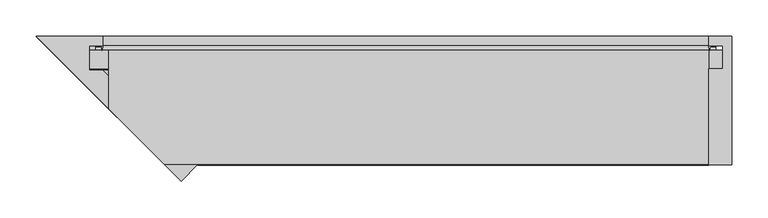
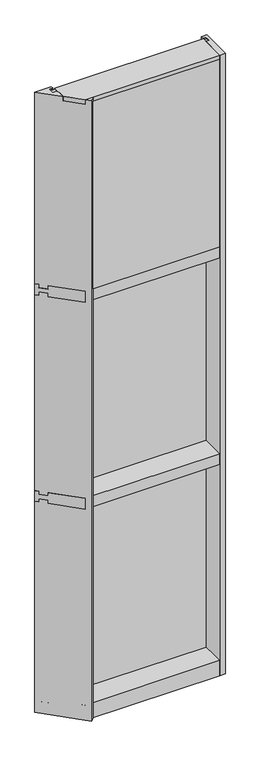
"""IFC4 building model written with IfcOpenShell, lengths in millimetres: plate geometry."""

from ifc_helpers import new_model, si_unit, point, frame, frame_2d, origin, place, context, project, spatial, polyline, circle_curve, trimmed, segment, composite_curve, outline, extrude, faceted_brep, source, transform, mapped, element, save


def plate_a5e8329a(model_context):
    return source(origin(), model_context, "Body", "SolidModel", [
        extrude(outline(composite_curve([segment(polyline([(-418.9503158, 34.0361122), (-419.3612613, 27.686), (-420.3277672, 27.686), (-420.3552746, 31.7563748)]), True, "CONTINUOUS"), segment(trimmed(circle_curve(frame_2d((-420.9902601, 31.7520836)), 0.635), [point((-420.3552746, 31.7563748))], [point((-420.9551793, 32.3861138))], True, "CARTESIAN"), True, "CONTINUOUS"), segment(polyline([(-420.9551793, 32.3861138), (-427.7105402, 32.7598869)]), True, "CONTINUOUS"), segment(trimmed(circle_curve(frame_2d((-427.5279869, 33.7593519)), 1.016), [point((-427.7105402, 32.7598869))], [point((-428.5055655, 34.0361122))], False, "CARTESIAN"), True, "CONTINUOUS"), segment(polyline([(-428.5055655, 34.0361122), (-418.9503158, 34.0361122)]), True, "CONTINUOUS")], self_intersect=False)), frame((0.0, 0.0, 2459.3728643), z_axis=(0.0, 0.0, 1.0), x_axis=(1.0, 0.0, 0.0)), (0.0, 0.0, 1.0), 1134.7271357),
        extrude(outline(composite_curve([segment(polyline([(419.3612613, 27.686), (418.9503158, 34.0361122), (428.5055655, 34.0361122)]), True, "CONTINUOUS"), segment(trimmed(circle_curve(frame_2d((427.5279869, 33.7593519)), 1.016), [point((428.5055655, 34.0361122))], [point((427.7105402, 32.7598869))], False, "CARTESIAN"), True, "CONTINUOUS"), segment(polyline([(427.7105402, 32.7598869), (420.9551793, 32.3861138)]), True, "CONTINUOUS"), segment(trimmed(circle_curve(frame_2d((420.9902601, 31.7520836)), 0.635), [point((420.9551793, 32.3861138))], [point((420.3552746, 31.7563748))], True, "CARTESIAN"), True, "CONTINUOUS"), segment(polyline([(420.3552746, 31.7563748), (420.3277672, 27.686), (419.3612613, 27.686)]), True, "CONTINUOUS")], self_intersect=False)), frame((0.0, 0.0, 2459.3728643), z_axis=(0.0, 0.0, 1.0), x_axis=(1.0, 0.0, 0.0)), (0.0, 0.0, 1.0), 1134.7271357),
        extrude(outline(polyline([(34.0361122, 2459.3728643), (27.686, 2459.3728643), (27.686, 2471.8771952), (34.0361122, 2470.1238955), (34.0361122, 2459.3728643)])), frame((-428.5055655, 0.0, 0.0), z_axis=(1.0, 0.0, 0.0), x_axis=(0.0, 1.0, 0.0)), (0.0, 0.0, 1.0), 857.0111309),
        extrude(outline(polyline([(418.8738151, -48.514), (418.8738151, -131.0159103), (-287.9050651, -131.0159103), (-370.3558463, -48.514), (418.8738151, -48.514)])), frame((0.0, 0.0, 2470.15), z_axis=(0.0, 0.0, 1.0), x_axis=(1.0, 0.0, 0.0)), (0.0, 0.0, 1.0), 1104.9),
        extrude(outline(polyline([(437.9238151, 27.686), (437.9238151, 2.286), (-437.9238151, 2.286), (-437.9238151, 27.686), (437.9238151, 27.686)])), frame((0.0, 0.0, 2451.1), z_axis=(0.0, 0.0, 1.0), x_axis=(1.0, 0.0, 0.0)), (0.0, 0.0, 1.0), 1143.0),
        extrude(outline(polyline([(450.6238151, -130.5814), (418.8738151, -130.5814), (418.8738151, 2.286), (437.9238151, 2.286), (437.9238151, 34.036), (418.8727259, 34.036), (418.8727259, 47.2186), (450.6238151, 47.2186), (450.6238151, -130.5814)])), frame((0.0, 0.0, -57.15), z_axis=(0.0, 0.0, 1.0), x_axis=(1.0, 0.0, 0.0)), (0.0, 0.0, 1.0), 3657.6),
        extrude(outline(polyline([(27.686, 1252.6752684), (34.036, 1250.9219997), (34.036, 1240.1709644), (27.686, 1240.1709644), (27.686, 1252.6752684)])), frame((-428.5066864, 0.0, 0.0), z_axis=(1.0, 0.0, 0.0), x_axis=(0.0, 1.0, 0.0)), (0.0, 0.0, 1.0), 857.0133729),
        extrude(outline(polyline([(27.6860992, 2417.4309356), (34.0360992, 2417.4309356), (34.0360992, 2406.6798775), (27.6860992, 2404.9266088), (27.6860992, 2417.4309356)])), frame((-428.5066864, 0.0, 0.0), z_axis=(1.0, 0.0, 0.0), x_axis=(0.0, 1.0, 0.0)), (0.0, 0.0, 1.0), 857.0133729),
        extrude(outline(composite_curve([segment(trimmed(circle_curve(frame_2d((-420.9913493, 31.7520836)), 0.635), [point((-420.3563638, 31.7563748))], [point((-420.9562685, 32.3861138))], True, "CARTESIAN"), True, "CONTINUOUS"), segment(polyline([(-420.9562685, 32.3861138), (-427.7116294, 32.7598869)]), True, "CONTINUOUS"), segment(trimmed(circle_curve(frame_2d((-427.5290761, 33.7593519)), 1.016), [point((-427.7116294, 32.7598869))], [point((-428.5066864, 34.036))], False, "CARTESIAN"), True, "CONTINUOUS"), segment(polyline([(-428.5066864, 34.036), (-418.9514123, 34.036), (-419.3623505, 27.686), (-420.3288564, 27.686), (-420.3563638, 31.7563748)]), True, "CONTINUOUS")], self_intersect=False)), frame((0.0, 0.0, 1240.1709644), z_axis=(0.0, 0.0, 1.0), x_axis=(1.0, 0.0, 0.0)), (0.0, 0.0, 1.0), 1177.2580861),
        extrude(outline(composite_curve([segment(polyline([(419.3623505, 27.686), (418.9514123, 34.036), (428.5066864, 34.036)]), True, "CONTINUOUS"), segment(trimmed(circle_curve(frame_2d((427.5290761, 33.7593519)), 1.016), [point((428.5066864, 34.036))], [point((427.7116294, 32.7598869))], False, "CARTESIAN"), True, "CONTINUOUS"), segment(polyline([(427.7116294, 32.7598869), (420.9562685, 32.3861138)]), True, "CONTINUOUS"), segment(trimmed(circle_curve(frame_2d((420.9913493, 31.7520836)), 0.635), [point((420.9562685, 32.3861138))], [point((420.3563638, 31.7563748))], True, "CARTESIAN"), True, "CONTINUOUS"), segment(polyline([(420.3563638, 31.7563748), (420.3288564, 27.686), (419.3623505, 27.686)]), True, "CONTINUOUS")], self_intersect=False)), frame((0.0, 0.0, 1240.1709644), z_axis=(0.0, 0.0, 1.0), x_axis=(1.0, 0.0, 0.0)), (0.0, 0.0, 1.0), 1177.2580861),
        extrude(outline(polyline([(437.9249043, 27.686), (437.9249043, 2.286), (-437.9249043, 2.286), (-437.9249043, 27.686), (437.9249043, 27.686)])), frame((0.0, 0.0, 1231.8962001), z_axis=(0.0, 0.0, 1.0), x_axis=(1.0, 0.0, 0.0)), (0.0, 0.0, 1.0), 1193.8037999),
        extrude(outline(polyline([(27.686, 33.4752684), (34.036, 31.7219997), (34.036, 20.9709644), (27.686, 20.9709644), (27.686, 33.4752684)])), frame((-428.5066864, 0.0, 0.0), z_axis=(1.0, 0.0, 0.0), x_axis=(0.0, 1.0, 0.0)), (0.0, 0.0, 1.0), 857.0133729),
        extrude(outline(polyline([(27.6860992, 1198.2309356), (34.0360992, 1198.2309356), (34.0360992, 1187.4798775), (27.6860992, 1185.7266088), (27.6860992, 1198.2309356)])), frame((-428.5066864, 0.0, 0.0), z_axis=(1.0, 0.0, 0.0), x_axis=(0.0, 1.0, 0.0)), (0.0, 0.0, 1.0), 857.0133729),
        extrude(outline(composite_curve([segment(trimmed(circle_curve(frame_2d((-420.9913493, 31.7520836)), 0.635), [point((-420.3563638, 31.7563748))], [point((-420.9562685, 32.3861138))], True, "CARTESIAN"), True, "CONTINUOUS"), segment(polyline([(-420.9562685, 32.3861138), (-427.7116294, 32.7598869)]), True, "CONTINUOUS"), segment(trimmed(circle_curve(frame_2d((-427.5290761, 33.7593519)), 1.016), [point((-427.7116294, 32.7598869))], [point((-428.5066864, 34.036))], False, "CARTESIAN"), True, "CONTINUOUS"), segment(polyline([(-428.5066864, 34.036), (-418.9514123, 34.036), (-419.3623505, 27.686), (-420.3288564, 27.686), (-420.3563638, 31.7563748)]), True, "CONTINUOUS")], self_intersect=False)), frame((0.0, 0.0, 20.9709644), z_axis=(0.0, 0.0, 1.0), x_axis=(1.0, 0.0, 0.0)), (0.0, 0.0, 1.0), 1177.2580861),
        extrude(outline(composite_curve([segment(polyline([(419.3623505, 27.686), (418.9514123, 34.036), (428.5066864, 34.036)]), True, "CONTINUOUS"), segment(trimmed(circle_curve(frame_2d((427.5290761, 33.7593519)), 1.016), [point((428.5066864, 34.036))], [point((427.7116294, 32.7598869))], False, "CARTESIAN"), True, "CONTINUOUS"), segment(polyline([(427.7116294, 32.7598869), (420.9562685, 32.3861138)]), True, "CONTINUOUS"), segment(trimmed(circle_curve(frame_2d((420.9913493, 31.7520836)), 0.635), [point((420.9562685, 32.3861138))], [point((420.3563638, 31.7563748))], True, "CARTESIAN"), True, "CONTINUOUS"), segment(polyline([(420.3563638, 31.7563748), (420.3288564, 27.686), (419.3623505, 27.686)]), True, "CONTINUOUS")], self_intersect=False)), frame((0.0, 0.0, 20.9709644), z_axis=(0.0, 0.0, 1.0), x_axis=(1.0, 0.0, 0.0)), (0.0, 0.0, 1.0), 1177.2580861),
        extrude(outline(polyline([(437.9249043, 27.686), (437.9249043, 2.286), (-437.9249043, 2.286), (-437.9249043, 27.686), (437.9249043, 27.686)])), frame((0.0, 0.0, 12.6962001), z_axis=(0.0, 0.0, 1.0), x_axis=(1.0, 0.0, 0.0)), (0.0, 0.0, 1.0), 1193.8037999),
        faceted_brep([(-410.928058, 27.686, 3600.45), (-410.928058, 27.686, 3594.1), (-410.928058, 0.0, 3594.1), (-410.928058, 0.0, 3575.051832), (-410.928058, -52.8481269, 3575.051832), (-410.928058, -52.8481269, 3600.45), (418.8738151, -130.0734, 3600.45), (418.8738151, -130.0734, 3575.051832), (418.8738151, 0.0, 3575.051832), (418.8738151, 0.0, 3594.1), (418.8738151, 27.686, 3594.1), (418.8738151, 27.686, 3600.45), (-333.7027849, -130.0734, 3600.45), (-333.7027849, -130.0734, 3575.051832)], [[[0, 1, 2, 3, 4, 5]], [[6, 7, 8, 9, 10, 11]], [[6, 11, 0, 5, 12]], [[1, 0, 11, 10]], [[2, 1, 10, 9]], [[3, 2, 9, 8]], [[8, 7, 13, 4, 3]], [[7, 6, 12, 13]], [[5, 4, 13, 12]]]),
        faceted_brep([(418.8738151, 0.0, 2470.15), (418.8738151, -130.175, 2470.15), (418.8738151, -130.175, 2406.65), (418.8738151, 0.0, 2406.65), (418.8738151, 0.0, 2425.7), (418.8738151, 34.13125, 2425.7), (418.8738151, 34.13125, 2406.6462001), (418.8738151, 47.2186445, 2406.6462001), (418.8738151, 47.2186445, 2470.1462001), (418.8738151, 34.13125, 2470.1462001), (418.8738151, 34.13125, 2451.1), (418.8738151, 0.0, 2451.1), (-463.7761849, 0.0, 2451.1), (-463.7761849, 0.0, 2470.15), (-497.9074349, 34.13125, 2451.1), (-497.9074349, 34.13125, 2470.1462001), (-510.9948294, 47.2186445, 2470.1462001), (-510.9948294, 47.2186445, 2406.6462001), (-497.9074349, 34.13125, 2406.6462001), (-497.9074349, 34.13125, 2425.7), (-463.7761849, 0.0, 2425.7), (-463.7761849, 0.0, 2406.65), (-333.6011849, -130.175, 2406.65), (-333.6011849, -130.175, 2470.15)], [[[0, 1, 2, 3, 4, 5, 6, 7, 8, 9, 10, 11]], [[0, 11, 12, 13]], [[11, 10, 14, 12]], [[10, 9, 15, 14]], [[9, 8, 16, 15]], [[8, 7, 17, 16]], [[7, 6, 18, 17]], [[6, 5, 19, 18]], [[5, 4, 20, 19]], [[4, 3, 21, 20]], [[3, 2, 22, 21]], [[2, 1, 23, 22]], [[1, 0, 13, 23]], [[13, 12, 14, 15, 16, 17, 18, 19, 20, 21, 22, 23]]]),
        faceted_brep([(418.8738151, 0.0, 1250.95), (418.8738151, -130.175, 1250.95), (418.8738151, -130.175, 1187.45), (418.8738151, 0.0, 1187.45), (418.8738151, 0.0, 1206.5), (418.8738151, 34.13125, 1206.5), (418.8738151, 34.13125, 1187.4462001), (418.8738151, 47.2186445, 1187.4462001), (418.8738151, 47.2186445, 1250.9462001), (418.8738151, 34.13125, 1250.9462001), (418.8738151, 34.13125, 1231.9), (418.8738151, 0.0, 1231.9), (-463.7761849, 0.0, 1231.9), (-463.7761849, 0.0, 1250.95), (-497.9074349, 34.13125, 1231.9), (-497.9074349, 34.13125, 1250.9462001), (-510.9948294, 47.2186445, 1250.9462001), (-510.9948294, 47.2186445, 1187.4462001), (-497.9074349, 34.13125, 1187.4462001), (-497.9074349, 34.13125, 1206.5), (-463.7761849, 0.0, 1206.5), (-463.7761849, 0.0, 1187.45), (-333.6011849, -130.175, 1187.45), (-333.6011849, -130.175, 1250.95)], [[[0, 1, 2, 3, 4, 5, 6, 7, 8, 9, 10, 11]], [[0, 11, 12, 13]], [[11, 10, 14, 12]], [[10, 9, 15, 14]], [[9, 8, 16, 15]], [[8, 7, 17, 16]], [[7, 6, 18, 17]], [[6, 5, 19, 18]], [[5, 4, 20, 19]], [[4, 3, 21, 20]], [[3, 2, 22, 21]], [[2, 1, 23, 22]], [[1, 0, 13, 23]], [[13, 12, 14, 15, 16, 17, 18, 19, 20, 21, 22, 23]]]),
        faceted_brep([(-511.0048903, 47.2287054, -57.15), (-418.8738151, 47.2287054, -57.15), (-418.8738151, 34.036, -57.15), (-437.9249043, 34.036, -57.15), (-437.9249043, 0.0, -57.15), (-418.8749043, 0.0, -57.15), (-288.2935043, -130.5814, -57.15), (-310.7441446, -153.0320403, -57.15), (-333.6011849, -130.175, -57.15), (-310.7441446, -153.0320403, 3600.45), (-288.2935043, -130.5814, 3600.45), (-418.8749043, 0.0, 3600.45), (-437.9249043, 0.0, 3600.45), (-437.9249043, 34.036, 3600.45), (-418.8738151, 34.036, 3600.45), (-418.8738151, 47.2287054, 3600.45), (-511.0048903, 47.2287054, 3600.45), (-333.6011849, -130.175, 3600.45)], [[[0, 1, 2, 3, 4, 5, 6, 7, 8]], [[9, 10, 11, 12, 13, 14, 15, 16, 17]], [[1, 0, 16, 15]], [[4, 3, 13, 12]], [[5, 4, 12, 11]], [[6, 5, 11, 10]], [[7, 6, 10, 9]], [[16, 0, 8, 7, 9, 17]], [[2, 1, 15, 14]], [[3, 2, 14, 13]]]),
        faceted_brep([(418.8738151, 0.0, 31.75), (418.8738151, -130.175, 31.75), (418.8738151, -130.175, -57.15), (418.8738151, 47.2186148, -57.15), (418.8738151, 47.2186148, 31.751832), (418.8738151, 34.13125, 31.751832), (418.8738151, 34.13125, 12.7), (418.8738151, 0.0, 12.7), (-463.7761849, 0.0, 12.7), (-463.7761849, 0.0, 31.75), (-497.9074349, 34.13125, 12.7), (-497.9074349, 34.13125, 31.751832), (-510.9947998, 47.2186148, 31.751832), (-510.9947998, 47.2186148, -57.15), (-333.6011849, -130.175, -57.15), (-333.6011849, -130.175, 31.75)], [[[0, 1, 2, 3, 4, 5, 6, 7]], [[0, 7, 8, 9]], [[7, 6, 10, 8]], [[6, 5, 11, 10]], [[5, 4, 12, 11]], [[4, 3, 13, 12]], [[3, 2, 14, 13]], [[2, 1, 15, 14]], [[1, 0, 9, 15]], [[9, 8, 10, 11, 12, 13, 14, 15]]]),
    ])


if __name__ == "__main__":
    model = new_model("IFC4")
    model_context = context("Model", 3, world=origin())
    ifc_project = project(units=[si_unit("LENGTHUNIT", "METRE", prefix="MILLI")], contexts=[model_context])
    site = spatial("IfcSite", under=ifc_project)
    building = spatial("IfcBuilding", under=site)
    placement = place(None, origin())
    plate_shape = plate_a5e8329a(model_context)
    element("IfcPlate", 1, at=placement, inside=building, context=model_context, shape_type="MappedRepresentation", body=[
        mapped(plate_shape, transform((0.0, 0.0, 0.0), x_axis=(1.0, 0.0, 0.0), y_axis=(0.0, 1.0, 0.0), z_axis=(0.0, 0.0, 1.0))),
    ])
    save(model, "model.ifc")
